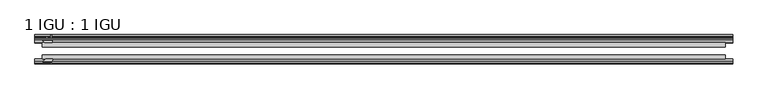
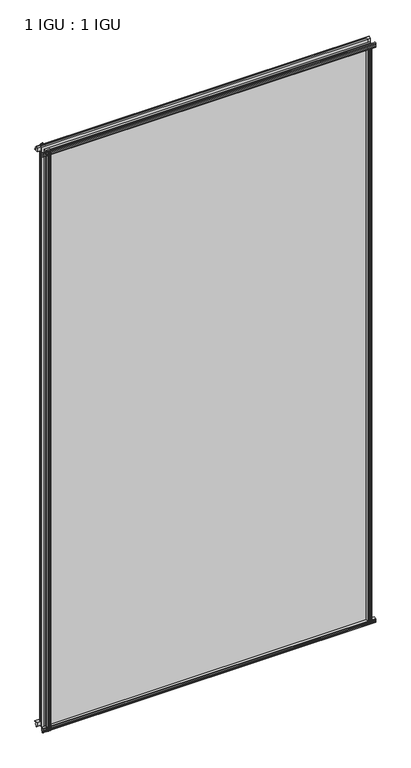
"""IFC4 building model written with IfcOpenShell, lengths in millimetres: plate geometry, 1 IGU : 1 IGU."""

from ifc_helpers import new_model, si_unit, point, frame, frame_2d, origin, origin_with_axes, place, context, project, spatial, polyline, circle_curve, trimmed, segment, composite_curve, outline, extrude, source, transform, mapped, element, save


def plate_1_igu_1_igu_1ce1ef21(model_context):
    return source(origin(), model_context, "Body", "SweptSolid", [
        extrude(outline(polyline([(-24.9039062, 2.5763839), (-12.2039062, 1.5739665), (-12.2039062, 0.0), (-18.5539062, 0.0), (-18.5539062, -4.953), (-16.254502, -5.5691235), (-16.6301757, -4.1670901), (-15.7714677, -3.937), (-15.1249062, -6.35), (-15.7714677, -8.763), (-16.6301757, -8.5329099), (-16.254502, -7.1308765), (-18.5539062, -7.747), (-18.5539062, -12.7), (-20.5859062, -12.7), (-24.9039062, -9.1036931), (-24.9039062, 2.5763839)])), frame((-549.0212369, 0.0, 0.0), z_axis=(1.0, 0.0, 0.0), x_axis=(0.0, 1.0, 0.0)), (0.0, 0.0, 1.0), 1096.3557551),
        extrude(outline(composite_curve([segment(polyline([(-58.2287402, 1.5687054), (-50.3039062, 3.0983599), (-50.3039062, -7.92383), (-54.4858806, -12.1058044)]), True, "CONTINUOUS"), segment(trimmed(circle_curve(frame_2d((-55.3839062, -11.2077788)), 1.27), [point((-54.4858806, -12.1058044))], [point((-56.6539062, -11.2077788))], False, "CARTESIAN"), True, "CONTINUOUS"), segment(polyline([(-56.6539062, -11.2077788), (-56.6539062, -8.0327788), (-58.1332022, -5.4488186), (-56.6539062, -5.1879788), (-56.6539062, 0.2222212), (-58.2287402, 0.0), (-58.2287402, 1.5687054)]), True, "CONTINUOUS")], self_intersect=False)), frame((-549.0212369, 0.0, 0.0), z_axis=(1.0, 0.0, 0.0), x_axis=(0.0, 1.0, 0.0)), (0.0, 0.0, 1.0), 1096.3557551),
        extrude(outline(polyline([(-18.5539063, 2001.656525), (-16.254502, 2001.0404015), (-16.6301757, 2002.4424349), (-15.7714677, 2002.672525), (-15.1249063, 2000.259525), (-15.7714677, 1997.846525), (-16.6301757, 1998.0766151), (-16.254502, 1999.4786485), (-18.5539063, 1998.862525), (-18.5539063, 1993.909525), (-12.2039062, 1993.909525), (-12.2039062, 1992.3355585), (-24.9039063, 1991.3331411), (-24.9039063, 2003.0132181), (-20.5859063, 2006.609525), (-18.5539063, 2006.609525), (-18.5539063, 2001.656525)])), frame((-549.0212369, 0.0, 0.0), z_axis=(1.0, 0.0, 0.0), x_axis=(0.0, 1.0, 0.0)), (0.0, 0.0, 1.0), 1096.3557551),
        extrude(outline(composite_curve([segment(polyline([(-50.3039063, 2001.833355), (-50.3039063, 1990.8111651), (-58.2287402, 1992.3408196), (-58.2287402, 1993.909525), (-56.6539063, 1993.6873038), (-56.6539063, 1999.0975038), (-58.1332023, 1999.3583436), (-56.6539063, 2001.9423038), (-56.6539063, 2005.1173038)]), True, "CONTINUOUS"), segment(trimmed(circle_curve(frame_2d((-55.3839063, 2005.1173038)), 1.27), [point((-56.6539063, 2005.1173038))], [point((-54.4858806, 2006.0153294))], False, "CARTESIAN"), True, "CONTINUOUS"), segment(polyline([(-54.4858806, 2006.0153294), (-50.3039063, 2001.833355)]), True, "CONTINUOUS")], self_intersect=False)), frame((-549.0212369, 0.0, 0.0), z_axis=(1.0, 0.0, 0.0), x_axis=(0.0, 1.0, 0.0)), (0.0, 0.0, 1.0), 1096.3557551),
        extrude(outline(composite_curve([segment(polyline([(521.0416742, -57.3876965), (519.6743583, -50.3039063), (530.6965482, -50.3039063), (534.8785226, -54.4858806)]), True, "CONTINUOUS"), segment(trimmed(circle_curve(frame_2d((533.980497, -55.3839063)), 1.27), [point((534.8785226, -54.4858806))], [point((533.980497, -56.6539063))], False, "CARTESIAN"), True, "CONTINUOUS"), segment(polyline([(533.980497, -56.6539063), (530.805497, -56.6539063), (528.2215368, -58.1332023), (527.960697, -56.6539063), (522.550497, -56.6539063), (522.7727182, -58.2287402), (521.8083974, -58.2014026)]), True, "CONTINUOUS"), segment(trimmed(circle_curve(frame_2d((522.042497, -57.2127402)), 1.016), [point((521.8083974, -58.2014026))], [point((521.0416742, -57.3876965))], False, "CARTESIAN"), True, "CONTINUOUS")], self_intersect=False)), origin_with_axes(), (0.0, 0.0, 1.0), 1994.3064),
        extrude(outline(polyline([(527.7257182, -18.5539063), (528.3418417, -16.254502), (526.9398083, -16.6301757), (526.7097182, -15.7714677), (529.1227182, -15.1249063), (531.5357182, -15.7714677), (531.305628, -16.6301757), (529.9035947, -16.254502), (530.5197182, -18.5539063), (535.4727182, -18.5539063), (535.4727182, -20.5859063), (531.8764113, -24.9039063), (520.1963343, -24.9039063), (521.1987516, -12.2039063), (522.7727182, -12.2039063), (522.7727182, -18.5539063), (527.7257182, -18.5539063)])), origin_with_axes(), (0.0, 0.0, 1.0), 1994.3064),
        extrude(outline(composite_curve([segment(polyline([(-532.4922157, -56.6539062), (-535.6672157, -56.6539062)]), True, "CONTINUOUS"), segment(trimmed(circle_curve(frame_2d((-535.6672157, -55.3839062)), 1.27), [point((-535.6672157, -56.6539062))], [point((-536.5652413, -54.4858806))], False, "CARTESIAN"), True, "CONTINUOUS"), segment(polyline([(-536.5652413, -54.4858806), (-532.3832669, -50.3039062), (-528.7137215, -50.3039062)]), True, "CONTINUOUS"), segment(trimmed(circle_curve(frame_2d((-526.6502157, -46.3669062)), 4.445), [point((-528.7137215, -50.3039062))], [point((-524.58671, -50.3039062))], True, "CARTESIAN"), True, "CONTINUOUS"), segment(polyline([(-524.58671, -50.3039062), (-521.361077, -50.3039062), (-522.8907315, -58.2287402), (-524.4594369, -58.2287402), (-524.2372157, -56.6539062), (-529.6474157, -56.6539062), (-529.9082555, -58.1332022), (-532.4922157, -56.6539062)]), True, "CONTINUOUS")], self_intersect=False)), frame((0.0, 0.0, -12.7), z_axis=(0.0, 0.0, 1.0), x_axis=(1.0, 0.0, 0.0)), (0.0, 0.0, 1.0), 2019.309525),
        extrude(outline(polyline([(-521.883053, -24.9039062), (-533.56313, -24.9039062), (-537.1594369, -20.5859062), (-537.1594369, -18.5539062), (-532.2064369, -18.5539062), (-531.5903134, -16.254502), (-532.9923468, -16.6301757), (-533.2224369, -15.7714677), (-530.8094369, -15.1249062), (-528.3964369, -15.7714677), (-528.6265271, -16.6301757), (-530.0285604, -16.254502), (-529.4124369, -18.5539062), (-524.4594369, -18.5539062), (-524.4594369, -12.2039062), (-522.8854704, -12.2039062), (-521.883053, -24.9039062)])), frame((0.0, 0.0, -12.7), z_axis=(0.0, 0.0, 1.0), x_axis=(1.0, 0.0, 0.0)), (0.0, 0.0, 1.0), 2019.309525),
        extrude(outline(polyline([(535.4727182, -24.9039062), (535.4727182, -31.2031063), (-537.1594369, -31.2031063), (-537.1594369, -24.9039062), (535.4727182, -24.9039062)])), frame((0.0, 0.0, -12.7), z_axis=(0.0, 0.0, 1.0), x_axis=(1.0, 0.0, 0.0)), (0.0, 0.0, 1.0), 2019.309525),
        extrude(outline(polyline([(-537.1594369, -44.0047063), (535.4727182, -44.0047063), (535.4727182, -50.3039062), (-537.1594369, -50.3039062), (-537.1594369, -44.0047063)])), frame((0.0, 0.0, -12.7), z_axis=(0.0, 0.0, 1.0), x_axis=(1.0, 0.0, 0.0)), (0.0, 0.0, 1.0), 2019.309525),
    ])


if __name__ == "__main__":
    model = new_model("IFC4")
    model_context = context("Model", 3, world=origin())
    ifc_project = project(units=[si_unit("LENGTHUNIT", "METRE", prefix="MILLI")], contexts=[model_context])
    site = spatial("IfcSite", under=ifc_project)
    building = spatial("IfcBuilding", under=site)
    placement = place(None, origin())
    plate_1_igu_1_igu_shape = plate_1_igu_1_igu_1ce1ef21(model_context)
    element("IfcPlate", 1, ObjectType="1 IGU : 1 IGU", at=placement, inside=building, context=model_context, shape_type="MappedRepresentation", body=[
        mapped(plate_1_igu_1_igu_shape, transform((0.0, 0.0, 0.0), x_axis=(1.0, 0.0, 0.0), y_axis=(0.0, 1.0, 0.0), z_axis=(0.0, 0.0, 1.0))),
    ])
    save(model, "model.ifc")
